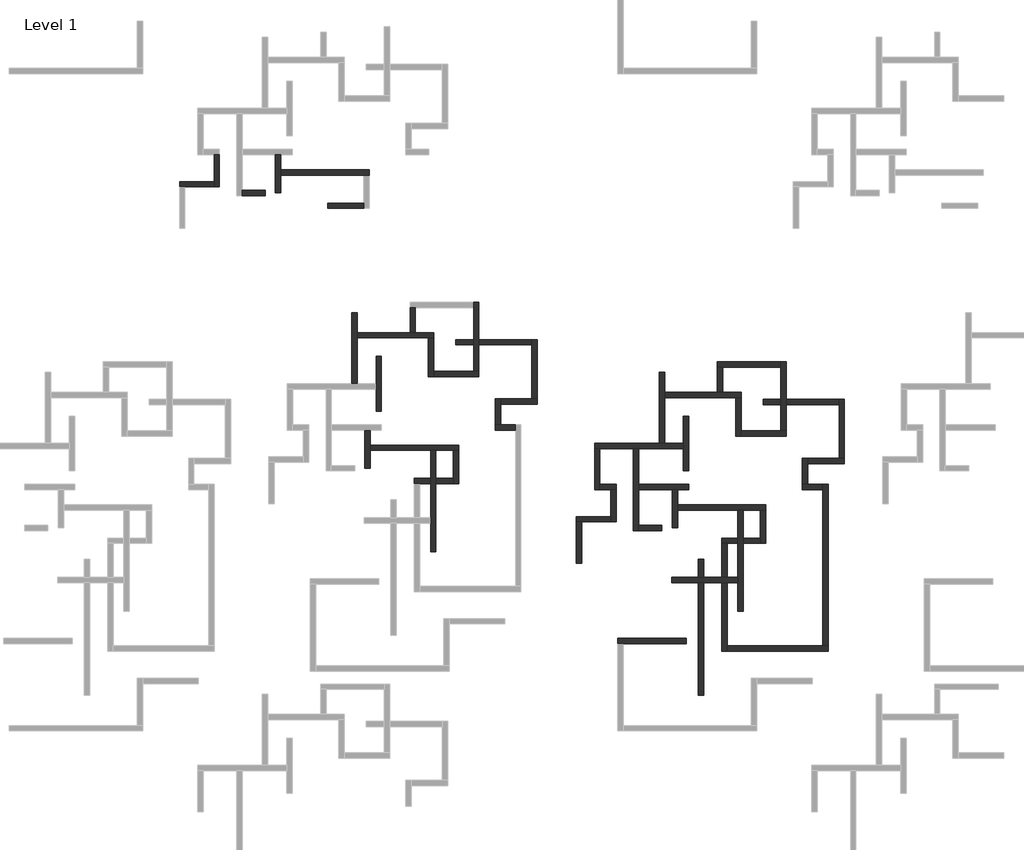
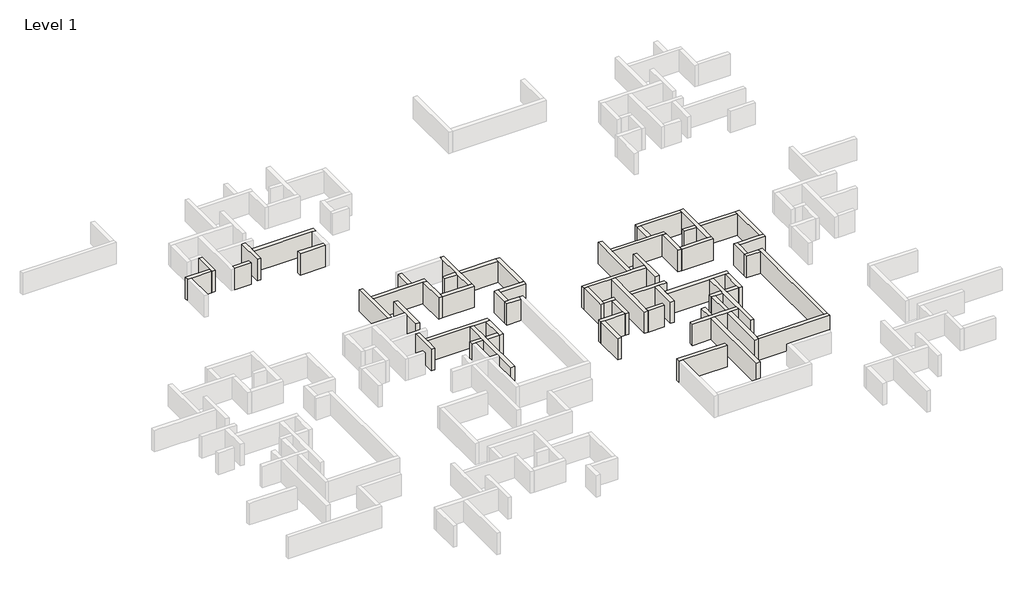
# One storey, part 3 of 7: 56 walls.
"""IFC4 building model written with IfcOpenShell, lengths in millimetres."""

from ifc_helpers import new_model, si_unit, origin, origin_with_axes, place, context, project, spatial, polyline, outline, extrude, faceted_brep, element, save

model = new_model("IFC4")

# Units and contexts
model_context = context("Model", 3, world=origin())
ifc_project = project(units=[si_unit("LENGTHUNIT", "METRE", prefix="MILLI")], contexts=[model_context])

# Site, building, storey
site = spatial("IfcSite", under=ifc_project)
building = spatial("IfcBuilding", under=site)
storey = spatial("IfcBuildingStorey", under=building, Name="Level 1", Elevation=0.0)

# Walls
placement = place(None, origin())
element("IfcWall", 1, ObjectType="Generic - 200mm", at=placement, inside=storey, context=model_context, shape_type="Brep", body=[
    faceted_brep([(7732.3849796, -15561.6327635, 0.0), (7732.3849796, -19111.6327635, 0.0), (7732.3849796, -19111.6327635, 3000.0), (7732.3849796, -15561.6327635, 3000.0), (8232.3849796, -15561.6327635, 0.0), (8232.3849796, -15561.6327635, 3000.0), (8232.3849796, -16961.6327635, 3000.0), (8232.3849796, -17461.6327635, 3000.0), (8232.3849796, -19111.6327635, 3000.0), (8232.3849796, -19111.6327635, 0.0), (8232.3849796, -17461.6327635, 0.0), (8232.3849796, -16961.6327635, 0.0)], [[[0, 1, 2, 3]], [[4, 5, 6, 7, 8, 9, 10, 11]], [[1, 0, 4, 11, 10, 9]], [[2, 1, 9, 8]], [[3, 2, 8, 7, 6, 5]], [[0, 3, 5, 4]]]),
])
element("IfcWall", 2, ObjectType="Generic - 200mm", at=placement, inside=storey, context=model_context, shape_type="Brep", body=[
    faceted_brep([(2032.3849796, -15561.6327635, 0.0), (2032.3849796, -18061.6327635, 0.0), (2032.3849796, -18561.6327635, 0.0), (2032.3849796, -18561.6327635, 3000.0), (2032.3849796, -18061.6327635, 3000.0), (2032.3849796, -15561.6327635, 3000.0), (2532.3849796, -15561.6327635, 0.0), (2532.3849796, -15561.6327635, 3000.0), (2532.3849796, -18561.6327635, 3000.0), (2532.3849796, -18561.6327635, 0.0)], [[[0, 1, 2, 3, 4, 5]], [[6, 7, 8, 9]], [[2, 1, 0, 6, 9]], [[5, 4, 3, 8, 7]], [[0, 5, 7, 6]], [[3, 2, 9, 8]]]),
])
element("IfcWall", 3, ObjectType="Generic - 200mm", at=placement, inside=storey, context=model_context, shape_type="Brep", body=[
    faceted_brep([(2032.3849796, -18061.6327635, 0.0), (-1167.6150204, -18061.6327635, 0.0), (-1167.6150204, -18061.6327635, 3000.0), (2032.3849796, -18061.6327635, 3000.0), (2032.3849796, -18561.6327635, 0.0), (2032.3849796, -18561.6327635, 3000.0), (-667.6150204, -18561.6327635, 3000.0), (-1167.6150204, -18561.6327635, 3000.0), (-1167.6150204, -18561.6327635, 0.0), (-667.6150204, -18561.6327635, 0.0)], [[[0, 1, 2, 3]], [[4, 5, 6, 7, 8, 9]], [[1, 0, 4, 9, 8]], [[3, 2, 7, 6, 5]], [[0, 3, 5, 4]], [[2, 1, 8, 7]]]),
])
element("IfcWall", 4, ObjectType="Generic - 200mm", at=placement, inside=storey, context=model_context, shape_type="SweptSolid", body=[
    extrude(outline(polyline([(6782.3849796, -19361.6327635), (4632.3849796, -19361.6327635), (4632.3849796, -18861.6327635), (6782.3849796, -18861.6327635), (6782.3849796, -19361.6327635)])), origin_with_axes(), (0.0, 0.0, 1.0), 3000.0),
])
element("IfcWall", 5, ObjectType="Generic - 200mm", at=placement, inside=storey, context=model_context, shape_type="Brep", body=[
    faceted_brep([(8232.3849796, -17461.6327635, 0.0), (15932.3849796, -17461.6327635, 0.0), (16432.3849796, -17461.6327635, 0.0), (16432.3849796, -17461.6327635, 3000.0), (15932.3849796, -17461.6327635, 3000.0), (8232.3849796, -17461.6327635, 3000.0), (8232.3849796, -16961.6327635, 0.0), (8232.3849796, -16961.6327635, 3000.0), (16432.3849796, -16961.6327635, 3000.0), (16432.3849796, -16961.6327635, 0.0)], [[[0, 1, 2, 3, 4, 5]], [[6, 7, 8, 9]], [[2, 1, 0, 6, 9]], [[5, 4, 3, 8, 7]], [[0, 5, 7, 6]], [[3, 2, 9, 8]]]),
])
element("IfcWall", 6, ObjectType="Generic - 200mm", at=placement, inside=storey, context=model_context, shape_type="SweptSolid", body=[
    extrude(outline(polyline([(12582.3849796, -20061.6327635), (15932.3849796, -20061.6327635), (15932.3849796, -20561.6327635), (12582.3849796, -20561.6327635), (12582.3849796, -20061.6327635)])), origin_with_axes(), (0.0, 0.0, 1.0), 3000.0),
])
element("IfcWall", 7, ObjectType="Generic - 200mm", at=placement, inside=storey, context=model_context, shape_type="Brep", body=[
    faceted_brep([(16032.3849796, -41129.0856497, 0.0), (16032.3849796, -44679.0856497, 0.0), (16032.3849796, -44679.0856497, 3000.0), (16032.3849796, -41129.0856497, 3000.0), (16532.3849796, -41129.0856497, 0.0), (16532.3849796, -41129.0856497, 3000.0), (16532.3849796, -42529.0856497, 3000.0), (16532.3849796, -43029.0856497, 3000.0), (16532.3849796, -44679.0856497, 3000.0), (16532.3849796, -44679.0856497, 0.0), (16532.3849796, -43029.0856497, 0.0), (16532.3849796, -42529.0856497, 0.0)], [[[0, 1, 2, 3]], [[4, 5, 6, 7, 8, 9, 10, 11]], [[1, 0, 4, 11, 10, 9]], [[2, 1, 9, 8]], [[3, 2, 8, 7, 6, 5]], [[0, 3, 5, 4]]]),
])
element("IfcWall", 8, ObjectType="Generic - 200mm", at=placement, inside=storey, context=model_context, shape_type="Brep", body=[
    faceted_brep([(16532.3849796, -43029.0856497, 0.0), (22132.3849796, -43029.0856497, 0.0), (22632.3849796, -43029.0856497, 0.0), (24232.3849796, -43029.0856497, 0.0), (24732.3849796, -43029.0856497, 0.0), (24732.3849796, -43029.0856497, 3000.0), (24232.3849796, -43029.0856497, 3000.0), (22632.3849796, -43029.0856497, 3000.0), (22132.3849796, -43029.0856497, 3000.0), (16532.3849796, -43029.0856497, 3000.0), (16532.3849796, -42529.0856497, 0.0), (16532.3849796, -42529.0856497, 3000.0), (24732.3849796, -42529.0856497, 3000.0), (24732.3849796, -42529.0856497, 0.0)], [[[0, 1, 2, 3, 4, 5, 6, 7, 8, 9]], [[10, 11, 12, 13]], [[4, 3, 2, 1, 0, 10, 13]], [[9, 8, 7, 6, 5, 12, 11]], [[0, 9, 11, 10]], [[5, 4, 13, 12]]]),
])
element("IfcWall", 9, ObjectType="Generic - 200mm", at=placement, inside=storey, context=model_context, shape_type="Brep", body=[
    faceted_brep([(22132.3849796, -43029.0856497, 0.0), (22132.3849796, -45629.0856497, 0.0), (22132.3849796, -46129.0856497, 0.0), (22132.3849796, -49279.0856497, 0.0), (22132.3849796, -49779.0856497, 0.0), (22132.3849796, -52429.0856497, 0.0), (22132.3849796, -52429.0856497, 3000.0), (22132.3849796, -49779.0856497, 3000.0), (22132.3849796, -49279.0856497, 3000.0), (22132.3849796, -46129.0856497, 3000.0), (22132.3849796, -45629.0856497, 3000.0), (22132.3849796, -43029.0856497, 3000.0), (22632.3849796, -43029.0856497, 0.0), (22632.3849796, -43029.0856497, 3000.0), (22632.3849796, -45629.0856497, 3000.0), (22632.3849796, -46129.0856497, 3000.0), (22632.3849796, -52429.0856497, 3000.0), (22632.3849796, -52429.0856497, 0.0), (22632.3849796, -46129.0856497, 0.0), (22632.3849796, -45629.0856497, 0.0)], [[[0, 1, 2, 3, 4, 5, 6, 7, 8, 9, 10, 11]], [[12, 13, 14, 15, 16, 17, 18, 19]], [[5, 4, 3, 2, 1, 0, 12, 19, 18, 17]], [[6, 5, 17, 16]], [[11, 10, 9, 8, 7, 6, 16, 15, 14, 13]], [[0, 11, 13, 12]]]),
])
element("IfcWall", 10, ObjectType="Generic - 200mm", at=placement, inside=storey, context=model_context, shape_type="Brep", body=[
    faceted_brep([(15332.3849796, -36829.0856497, 0.0), (15332.3849796, -32579.0856497, 0.0), (15332.3849796, -32079.0856497, 0.0), (15332.3849796, -30229.0856497, 0.0), (15332.3849796, -30229.0856497, 3000.0), (15332.3849796, -32079.0856497, 3000.0), (15332.3849796, -32579.0856497, 3000.0), (15332.3849796, -36829.0856497, 3000.0), (14832.3849796, -36829.0856497, 0.0), (14832.3849796, -36829.0856497, 3000.0), (14832.3849796, -30229.0856497, 3000.0), (14832.3849796, -30229.0856497, 0.0)], [[[0, 1, 2, 3, 4, 5, 6, 7]], [[8, 9, 10, 11]], [[3, 2, 1, 0, 8, 11]], [[4, 3, 11, 10]], [[7, 6, 5, 4, 10, 9]], [[0, 7, 9, 8]]]),
])
element("IfcWall", 11, ObjectType="Generic - 200mm", at=placement, inside=storey, context=model_context, shape_type="Brep", body=[
    faceted_brep([(15332.3849796, -32579.0856497, 0.0), (21932.3849796, -32579.0856497, 0.0), (22432.3849796, -32579.0856497, 0.0), (22432.3849796, -32579.0856497, 3000.0), (21932.3849796, -32579.0856497, 3000.0), (15332.3849796, -32579.0856497, 3000.0), (15332.3849796, -32079.0856497, 0.0), (15332.3849796, -32079.0856497, 3000.0), (20232.3849796, -32079.0856497, 3000.0), (20732.3849796, -32079.0856497, 3000.0), (22432.3849796, -32079.0856497, 3000.0), (22432.3849796, -32079.0856497, 0.0), (20732.3849796, -32079.0856497, 0.0), (20232.3849796, -32079.0856497, 0.0)], [[[0, 1, 2, 3, 4, 5]], [[6, 7, 8, 9, 10, 11, 12, 13]], [[2, 1, 0, 6, 13, 12, 11]], [[5, 4, 3, 10, 9, 8, 7]], [[0, 5, 7, 6]], [[3, 2, 11, 10]]]),
])
element("IfcWall", 12, ObjectType="Generic - 200mm", at=placement, inside=storey, context=model_context, shape_type="Brep", body=[
    faceted_brep([(17582.3849796, -39395.7882251, 0.0), (17582.3849796, -34295.7882251, 0.0), (17582.3849796, -34295.7882251, 3000.0), (17582.3849796, -39395.7882251, 3000.0), (17082.3849796, -39395.7882251, 0.0), (17082.3849796, -39395.7882251, 3000.0), (17082.3849796, -37329.0856497, 3000.0), (17082.3849796, -36829.0856497, 3000.0), (17082.3849796, -34295.7882251, 3000.0), (17082.3849796, -34295.7882251, 0.0), (17082.3849796, -36829.0856497, 0.0), (17082.3849796, -37329.0856497, 0.0)], [[[0, 1, 2, 3]], [[4, 5, 6, 7, 8, 9, 10, 11]], [[1, 0, 4, 11, 10, 9]], [[2, 1, 9, 8]], [[3, 2, 8, 7, 6, 5]], [[0, 3, 5, 4]]]),
])
element("IfcWall", 13, ObjectType="Generic - 200mm", at=placement, inside=storey, context=model_context, shape_type="Brep", body=[
    faceted_brep([(21932.3849796, -32579.0856497, 0.0), (21932.3849796, -36179.0856497, 0.0), (21932.3849796, -36179.0856497, 3000.0), (21932.3849796, -32579.0856497, 3000.0), (22432.3849796, -32579.0856497, 0.0), (22432.3849796, -32579.0856497, 3000.0), (22432.3849796, -35679.0856497, 3000.0), (22432.3849796, -36179.0856497, 3000.0), (22432.3849796, -36179.0856497, 0.0), (22432.3849796, -35679.0856497, 0.0)], [[[0, 1, 2, 3]], [[4, 5, 6, 7, 8, 9]], [[1, 0, 4, 9, 8]], [[3, 2, 7, 6, 5]], [[0, 3, 5, 4]], [[2, 1, 8, 7]]]),
])
element("IfcWall", 14, ObjectType="Generic - 200mm", at=placement, inside=storey, context=model_context, shape_type="Brep", body=[
    faceted_brep([(22432.3849796, -36179.0856497, 0.0), (26632.3849796, -36179.0856497, 0.0), (26632.3849796, -36179.0856497, 3000.0), (22432.3849796, -36179.0856497, 3000.0), (22432.3849796, -35679.0856497, 0.0), (22432.3849796, -35679.0856497, 3000.0), (26132.3849796, -35679.0856497, 3000.0), (26632.3849796, -35679.0856497, 3000.0), (26632.3849796, -35679.0856497, 0.0), (26132.3849796, -35679.0856497, 0.0)], [[[0, 1, 2, 3]], [[4, 5, 6, 7, 8, 9]], [[1, 0, 4, 9, 8]], [[3, 2, 7, 6, 5]], [[0, 3, 5, 4]], [[2, 1, 8, 7]]]),
])
element("IfcWall", 15, ObjectType="Generic - 200mm", at=placement, inside=storey, context=model_context, shape_type="Brep", body=[
    faceted_brep([(26632.3849796, -35679.0856497, 0.0), (26632.3849796, -33229.0856497, 0.0), (26632.3849796, -32729.0856497, 0.0), (26632.3849796, -29279.0856497, 0.0), (26632.3849796, -29279.0856497, 3000.0), (26632.3849796, -32729.0856497, 3000.0), (26632.3849796, -33229.0856497, 3000.0), (26632.3849796, -35679.0856497, 3000.0), (26132.3849796, -35679.0856497, 0.0), (26132.3849796, -35679.0856497, 3000.0), (26132.3849796, -33229.0856497, 3000.0), (26132.3849796, -32729.0856497, 3000.0), (26132.3849796, -29779.0856497, 3000.0), (26132.3849796, -29279.0856497, 3000.0), (26132.3849796, -29279.0856497, 0.0), (26132.3849796, -29779.0856497, 0.0), (26132.3849796, -32729.0856497, 0.0), (26132.3849796, -33229.0856497, 0.0)], [[[0, 1, 2, 3, 4, 5, 6, 7]], [[8, 9, 10, 11, 12, 13, 14, 15, 16, 17]], [[3, 2, 1, 0, 8, 17, 16, 15, 14]], [[7, 6, 5, 4, 13, 12, 11, 10, 9]], [[0, 7, 9, 8]], [[4, 3, 14, 13]]]),
])
element("IfcWall", 16, ObjectType="Generic - 200mm", at=placement, inside=storey, context=model_context, shape_type="SweptSolid", body=[
    extrude(outline(polyline([(20232.3849796, -32079.0856497), (20232.3849796, -29779.0856497), (20732.3849796, -29779.0856497), (20732.3849796, -32079.0856497), (20232.3849796, -32079.0856497)])), origin_with_axes(), (0.0, 0.0, 1.0), 3000.0),
])
element("IfcWall", 17, ObjectType="Generic - 200mm", at=placement, inside=storey, context=model_context, shape_type="Brep", body=[
    faceted_brep([(24232.3849796, -43029.0856497, 0.0), (24232.3849796, -45629.0856497, 0.0), (24232.3849796, -46129.0856497, 0.0), (24232.3849796, -46129.0856497, 3000.0), (24232.3849796, -45629.0856497, 3000.0), (24232.3849796, -43029.0856497, 3000.0), (24732.3849796, -43029.0856497, 0.0), (24732.3849796, -43029.0856497, 3000.0), (24732.3849796, -46129.0856497, 3000.0), (24732.3849796, -46129.0856497, 0.0)], [[[0, 1, 2, 3, 4, 5]], [[6, 7, 8, 9]], [[2, 1, 0, 6, 9]], [[5, 4, 3, 8, 7]], [[0, 5, 7, 6]], [[3, 2, 9, 8]]]),
])
element("IfcWall", 18, ObjectType="Generic - 200mm", at=placement, inside=storey, context=model_context, shape_type="Brep", body=[
    faceted_brep([(24232.3849796, -45629.0856497, 3000.0), (24232.3849796, -45629.0856497, 0.0), (22632.3849796, -45629.0856497, 0.0), (22632.3849796, -45629.0856497, 3000.0), (24232.3849796, -46129.0856497, 0.0), (24232.3849796, -46129.0856497, 3000.0), (22632.3849796, -46129.0856497, 3000.0), (22632.3849796, -46129.0856497, 0.0)], [[[0, 1, 2, 3]], [[4, 5, 6, 7]], [[1, 4, 7, 2]], [[5, 0, 3, 6]], [[1, 0, 5, 4]], [[3, 2, 7, 6]]]),
    faceted_brep([(20632.3849796, -45629.0856497, 0.0), (20632.3849796, -45629.0856497, 3000.0), (22132.3849796, -45629.0856497, 3000.0), (22132.3849796, -45629.0856497, 0.0), (20632.3849796, -46129.0856497, 3000.0), (20632.3849796, -46129.0856497, 0.0), (21132.3849796, -46129.0856497, 0.0), (22132.3849796, -46129.0856497, 0.0), (22132.3849796, -46129.0856497, 3000.0), (21132.3849796, -46129.0856497, 3000.0)], [[[0, 1, 2, 3]], [[4, 5, 6, 7, 8, 9]], [[5, 0, 3, 7, 6]], [[1, 4, 9, 8, 2]], [[3, 2, 8, 7]], [[1, 0, 5, 4]]]),
])
element("IfcWall", 19, ObjectType="Generic - 200mm", at=placement, inside=storey, context=model_context, shape_type="Brep", body=[
    faceted_brep([(30032.3849796, -40629.0856497, 0.0), (28632.3849796, -40629.0856497, 0.0), (28132.3849796, -40629.0856497, 0.0), (28132.3849796, -40629.0856497, 3000.0), (28632.3849796, -40629.0856497, 3000.0), (30032.3849796, -40629.0856497, 3000.0), (30032.3849796, -41129.0856497, 0.0), (30032.3849796, -41129.0856497, 3000.0), (28132.3849796, -41129.0856497, 3000.0), (28132.3849796, -41129.0856497, 0.0)], [[[0, 1, 2, 3, 4, 5]], [[6, 7, 8, 9]], [[2, 1, 0, 6, 9]], [[5, 4, 3, 8, 7]], [[0, 5, 7, 6]], [[3, 2, 9, 8]]]),
])
element("IfcWall", 20, ObjectType="Generic - 200mm", at=placement, inside=storey, context=model_context, shape_type="Brep", body=[
    faceted_brep([(28632.3849796, -40629.0856497, 0.0), (28632.3849796, -38729.0856497, 0.0), (28632.3849796, -38229.0856497, 0.0), (28632.3849796, -38229.0856497, 3000.0), (28632.3849796, -38729.0856497, 3000.0), (28632.3849796, -40629.0856497, 3000.0), (28132.3849796, -40629.0856497, 0.0), (28132.3849796, -40629.0856497, 3000.0), (28132.3849796, -38229.0856497, 3000.0), (28132.3849796, -38229.0856497, 0.0)], [[[0, 1, 2, 3, 4, 5]], [[6, 7, 8, 9]], [[2, 1, 0, 6, 9]], [[5, 4, 3, 8, 7]], [[0, 5, 7, 6]], [[3, 2, 9, 8]]]),
])
element("IfcWall", 21, ObjectType="Generic - 200mm", at=placement, inside=storey, context=model_context, shape_type="Brep", body=[
    faceted_brep([(28632.3849796, -38729.0856497, 0.0), (32032.3849796, -38729.0856497, 0.0), (32032.3849796, -38729.0856497, 3000.0), (28632.3849796, -38729.0856497, 3000.0), (28632.3849796, -38229.0856497, 0.0), (28632.3849796, -38229.0856497, 3000.0), (31532.3849796, -38229.0856497, 3000.0), (32032.3849796, -38229.0856497, 3000.0), (32032.3849796, -38229.0856497, 0.0), (31532.3849796, -38229.0856497, 0.0)], [[[0, 1, 2, 3]], [[4, 5, 6, 7, 8, 9]], [[1, 0, 4, 9, 8]], [[3, 2, 7, 6, 5]], [[0, 3, 5, 4]], [[2, 1, 8, 7]]]),
])
element("IfcWall", 22, ObjectType="Generic - 200mm", at=placement, inside=storey, context=model_context, shape_type="Brep", body=[
    faceted_brep([(32032.3849796, -38229.0856497, 0.0), (32032.3849796, -32729.0856497, 0.0), (32032.3849796, -32729.0856497, 3000.0), (32032.3849796, -38229.0856497, 3000.0), (31532.3849796, -38229.0856497, 0.0), (31532.3849796, -38229.0856497, 3000.0), (31532.3849796, -33229.0856497, 3000.0), (31532.3849796, -32729.0856497, 3000.0), (31532.3849796, -32729.0856497, 0.0), (31532.3849796, -33229.0856497, 0.0)], [[[0, 1, 2, 3]], [[4, 5, 6, 7, 8, 9]], [[1, 0, 4, 9, 8]], [[3, 2, 7, 6, 5]], [[0, 3, 5, 4]], [[2, 1, 8, 7]]]),
])
element("IfcWall", 23, ObjectType="Generic - 200mm", at=placement, inside=storey, context=model_context, shape_type="SweptSolid", body=[
    extrude(outline(polyline([(24482.3849796, -33229.0856497), (24482.3849796, -32729.0856497), (26132.3849796, -32729.0856497), (26132.3849796, -33229.0856497), (24482.3849796, -33229.0856497)])), origin_with_axes(), (0.0, 0.0, 1.0), 3000.0),
    extrude(outline(polyline([(31532.3849796, -32729.0856497), (31532.3849796, -33229.0856497), (26632.3849796, -33229.0856497), (26632.3849796, -32729.0856497), (31532.3849796, -32729.0856497)])), origin_with_axes(), (0.0, 0.0, 1.0), 3000.0),
])
element("IfcWall", 24, ObjectType="Generic - 200mm", at=placement, inside=storey, context=model_context, shape_type="Brep", body=[
    faceted_brep([(37365.1966596, -42862.5465156, 0.0), (37865.1966596, -42862.5465156, 0.0), (40965.1966596, -42862.5465156, 0.0), (41465.1966596, -42862.5465156, 0.0), (45615.1966596, -42862.5465156, 0.0), (45615.1966596, -42862.5465156, 3000.0), (41465.1966596, -42862.5465156, 3000.0), (40965.1966596, -42862.5465156, 3000.0), (37865.1966596, -42862.5465156, 3000.0), (37365.1966596, -42862.5465156, 3000.0), (37365.1966596, -42362.5465156, 0.0), (37365.1966596, -42362.5465156, 3000.0), (43365.1966596, -42362.5465156, 3000.0), (43865.1966596, -42362.5465156, 3000.0), (45615.1966596, -42362.5465156, 3000.0), (45615.1966596, -42362.5465156, 0.0), (43865.1966596, -42362.5465156, 0.0), (43365.1966596, -42362.5465156, 0.0)], [[[0, 1, 2, 3, 4, 5, 6, 7, 8, 9]], [[10, 11, 12, 13, 14, 15, 16, 17]], [[4, 3, 2, 1, 0, 10, 17, 16, 15]], [[9, 8, 7, 6, 5, 14, 13, 12, 11]], [[0, 9, 11, 10]], [[5, 4, 15, 14]]]),
])
element("IfcWall", 25, ObjectType="Generic - 200mm", at=placement, inside=storey, context=model_context, shape_type="Brep", body=[
    faceted_brep([(40965.1966596, -42862.5465156, 0.0), (40965.1966596, -50462.5465156, 0.0), (40965.1966596, -50462.5465156, 3000.0), (40965.1966596, -42862.5465156, 3000.0), (41465.1966596, -42862.5465156, 0.0), (41465.1966596, -42862.5465156, 3000.0), (41465.1966596, -46162.5465156, 3000.0), (41465.1966596, -46662.5465156, 3000.0), (41465.1966596, -49962.5465156, 3000.0), (41465.1966596, -50462.5465156, 3000.0), (41465.1966596, -50462.5465156, 0.0), (41465.1966596, -49962.5465156, 0.0), (41465.1966596, -46662.5465156, 0.0), (41465.1966596, -46162.5465156, 0.0)], [[[0, 1, 2, 3]], [[4, 5, 6, 7, 8, 9, 10, 11, 12, 13]], [[1, 0, 4, 13, 12, 11, 10]], [[3, 2, 9, 8, 7, 6, 5]], [[0, 3, 5, 4]], [[2, 1, 10, 9]]]),
])
element("IfcWall", 26, ObjectType="Generic - 200mm", at=placement, inside=storey, context=model_context, shape_type="Brep", body=[
    faceted_brep([(41465.1966596, -46662.5465156, 0.0), (44565.1966596, -46662.5465156, 0.0), (45065.1966596, -46662.5465156, 0.0), (46115.1966596, -46662.5465156, 0.0), (46115.1966596, -46662.5465156, 3000.0), (45065.1966596, -46662.5465156, 3000.0), (44565.1966596, -46662.5465156, 3000.0), (41465.1966596, -46662.5465156, 3000.0), (41465.1966596, -46162.5465156, 0.0), (41465.1966596, -46162.5465156, 3000.0), (46115.1966596, -46162.5465156, 3000.0), (46115.1966596, -46162.5465156, 0.0)], [[[0, 1, 2, 3, 4, 5, 6, 7]], [[8, 9, 10, 11]], [[3, 2, 1, 0, 8, 11]], [[4, 3, 11, 10]], [[7, 6, 5, 4, 10, 9]], [[0, 7, 9, 8]]]),
])
element("IfcWall", 27, ObjectType="Generic - 200mm", at=placement, inside=storey, context=model_context, shape_type="Brep", body=[
    faceted_brep([(44565.1966596, -46662.5465156, 0.0), (44565.1966596, -50212.5465156, 0.0), (44565.1966596, -50212.5465156, 3000.0), (44565.1966596, -46662.5465156, 3000.0), (45065.1966596, -46662.5465156, 0.0), (45065.1966596, -46662.5465156, 3000.0), (45065.1966596, -48062.5465156, 3000.0), (45065.1966596, -48562.5465156, 3000.0), (45065.1966596, -50212.5465156, 3000.0), (45065.1966596, -50212.5465156, 0.0), (45065.1966596, -48562.5465156, 0.0), (45065.1966596, -48062.5465156, 0.0)], [[[0, 1, 2, 3]], [[4, 5, 6, 7, 8, 9, 10, 11]], [[1, 0, 4, 11, 10, 9]], [[2, 1, 9, 8]], [[3, 2, 8, 7, 6, 5]], [[0, 3, 5, 4]]]),
])
element("IfcWall", 28, ObjectType="Generic - 200mm", at=placement, inside=storey, context=model_context, shape_type="Brep", body=[
    faceted_brep([(37365.1966596, -42862.5465156, 0.0), (37365.1966596, -46662.5465156, 0.0), (37365.1966596, -46662.5465156, 3000.0), (37365.1966596, -42862.5465156, 3000.0), (37865.1966596, -42862.5465156, 0.0), (37865.1966596, -42862.5465156, 3000.0), (37865.1966596, -46162.5465156, 3000.0), (37865.1966596, -46662.5465156, 3000.0), (37865.1966596, -46662.5465156, 0.0), (37865.1966596, -46162.5465156, 0.0)], [[[0, 1, 2, 3]], [[4, 5, 6, 7, 8, 9]], [[1, 0, 4, 9, 8]], [[3, 2, 7, 6, 5]], [[0, 3, 5, 4]], [[2, 1, 8, 7]]]),
])
element("IfcWall", 29, ObjectType="Generic - 200mm", at=placement, inside=storey, context=model_context, shape_type="Brep", body=[
    faceted_brep([(37865.1966596, -46662.5465156, 0.0), (38865.1966596, -46662.5465156, 0.0), (39365.1966596, -46662.5465156, 0.0), (39365.1966596, -46662.5465156, 3000.0), (38865.1966596, -46662.5465156, 3000.0), (37865.1966596, -46662.5465156, 3000.0), (37865.1966596, -46162.5465156, 0.0), (37865.1966596, -46162.5465156, 3000.0), (39365.1966596, -46162.5465156, 3000.0), (39365.1966596, -46162.5465156, 0.0)], [[[0, 1, 2, 3, 4, 5]], [[6, 7, 8, 9]], [[2, 1, 0, 6, 9]], [[5, 4, 3, 8, 7]], [[0, 5, 7, 6]], [[3, 2, 9, 8]]]),
])
element("IfcWall", 30, ObjectType="Generic - 200mm", at=placement, inside=storey, context=model_context, shape_type="Brep", body=[
    faceted_brep([(38865.1966596, -46662.5465156, 0.0), (38865.1966596, -49162.5465156, 0.0), (38865.1966596, -49662.5465156, 0.0), (38865.1966596, -49662.5465156, 3000.0), (38865.1966596, -49162.5465156, 3000.0), (38865.1966596, -46662.5465156, 3000.0), (39365.1966596, -46662.5465156, 0.0), (39365.1966596, -46662.5465156, 3000.0), (39365.1966596, -49662.5465156, 3000.0), (39365.1966596, -49662.5465156, 0.0)], [[[0, 1, 2, 3, 4, 5]], [[6, 7, 8, 9]], [[2, 1, 0, 6, 9]], [[5, 4, 3, 8, 7]], [[0, 5, 7, 6]], [[3, 2, 9, 8]]]),
])
element("IfcWall", 31, ObjectType="Generic - 200mm", at=placement, inside=storey, context=model_context, shape_type="Brep", body=[
    faceted_brep([(38865.1966596, -49162.5465156, 0.0), (35665.1966596, -49162.5465156, 0.0), (35665.1966596, -49162.5465156, 3000.0), (38865.1966596, -49162.5465156, 3000.0), (38865.1966596, -49662.5465156, 0.0), (38865.1966596, -49662.5465156, 3000.0), (36165.1966596, -49662.5465156, 3000.0), (35665.1966596, -49662.5465156, 3000.0), (35665.1966596, -49662.5465156, 0.0), (36165.1966596, -49662.5465156, 0.0)], [[[0, 1, 2, 3]], [[4, 5, 6, 7, 8, 9]], [[1, 0, 4, 9, 8]], [[3, 2, 7, 6, 5]], [[0, 3, 5, 4]], [[2, 1, 8, 7]]]),
])
element("IfcWall", 32, ObjectType="Generic - 200mm", at=placement, inside=storey, context=model_context, shape_type="SweptSolid", body=[
    extrude(outline(polyline([(35665.1966596, -53512.5465156), (35665.1966596, -49662.5465156), (36165.1966596, -49662.5465156), (36165.1966596, -53512.5465156), (35665.1966596, -53512.5465156)])), origin_with_axes(), (0.0, 0.0, 1.0), 3000.0),
])
element("IfcWall", 33, ObjectType="Generic - 200mm", at=placement, inside=storey, context=model_context, shape_type="SweptSolid", body=[
    extrude(outline(polyline([(43615.1966596, -50462.5465156), (41465.1966596, -50462.5465156), (41465.1966596, -49962.5465156), (43615.1966596, -49962.5465156), (43615.1966596, -50462.5465156)])), origin_with_axes(), (0.0, 0.0, 1.0), 3000.0),
])
element("IfcWall", 34, ObjectType="Generic - 200mm", at=placement, inside=storey, context=model_context, shape_type="Brep", body=[
    faceted_brep([(45065.1966596, -48562.5465156, 0.0), (50665.1966596, -48562.5465156, 0.0), (51165.1966596, -48562.5465156, 0.0), (52765.1966596, -48562.5465156, 0.0), (53265.1966596, -48562.5465156, 0.0), (53265.1966596, -48562.5465156, 3000.0), (52765.1966596, -48562.5465156, 3000.0), (51165.1966596, -48562.5465156, 3000.0), (50665.1966596, -48562.5465156, 3000.0), (45065.1966596, -48562.5465156, 3000.0), (45065.1966596, -48062.5465156, 0.0), (45065.1966596, -48062.5465156, 3000.0), (53265.1966596, -48062.5465156, 3000.0), (53265.1966596, -48062.5465156, 0.0)], [[[0, 1, 2, 3, 4, 5, 6, 7, 8, 9]], [[10, 11, 12, 13]], [[4, 3, 2, 1, 0, 10, 13]], [[9, 8, 7, 6, 5, 12, 11]], [[0, 9, 11, 10]], [[5, 4, 13, 12]]]),
])
element("IfcWall", 35, ObjectType="Generic - 200mm", at=placement, inside=storey, context=model_context, shape_type="Brep", body=[
    faceted_brep([(50665.1966596, -48562.5465156, 0.0), (50665.1966596, -51162.5465156, 0.0), (50665.1966596, -51662.5465156, 0.0), (50665.1966596, -54812.5465156, 0.0), (50665.1966596, -55312.5465156, 0.0), (50665.1966596, -57962.5465156, 0.0), (50665.1966596, -57962.5465156, 3000.0), (50665.1966596, -55312.5465156, 3000.0), (50665.1966596, -54812.5465156, 3000.0), (50665.1966596, -51662.5465156, 3000.0), (50665.1966596, -51162.5465156, 3000.0), (50665.1966596, -48562.5465156, 3000.0), (51165.1966596, -48562.5465156, 0.0), (51165.1966596, -48562.5465156, 3000.0), (51165.1966596, -51162.5465156, 3000.0), (51165.1966596, -51662.5465156, 3000.0), (51165.1966596, -57962.5465156, 3000.0), (51165.1966596, -57962.5465156, 0.0), (51165.1966596, -51662.5465156, 0.0), (51165.1966596, -51162.5465156, 0.0)], [[[0, 1, 2, 3, 4, 5, 6, 7, 8, 9, 10, 11]], [[12, 13, 14, 15, 16, 17, 18, 19]], [[5, 4, 3, 2, 1, 0, 12, 19, 18, 17]], [[6, 5, 17, 16]], [[11, 10, 9, 8, 7, 6, 16, 15, 14, 13]], [[0, 11, 13, 12]]]),
])
element("IfcWall", 36, ObjectType="Generic - 200mm", at=placement, inside=storey, context=model_context, shape_type="Brep", body=[
    faceted_brep([(50665.1966596, -54812.5465156, 0.0), (49665.1966596, -54812.5465156, 0.0), (49165.1966596, -54812.5465156, 0.0), (47484.7825487, -54812.5465156, 0.0), (46984.7825487, -54812.5465156, 0.0), (44515.1966596, -54812.5465156, 0.0), (44515.1966596, -54812.5465156, 3000.0), (46984.7825487, -54812.5465156, 3000.0), (47484.7825487, -54812.5465156, 3000.0), (49165.1966596, -54812.5465156, 3000.0), (49665.1966596, -54812.5465156, 3000.0), (50665.1966596, -54812.5465156, 3000.0), (50665.1966596, -55312.5465156, 0.0), (50665.1966596, -55312.5465156, 3000.0), (49665.1966596, -55312.5465156, 3000.0), (49165.1966596, -55312.5465156, 3000.0), (47484.7825487, -55312.5465156, 3000.0), (46984.7825487, -55312.5465156, 3000.0), (44515.1966596, -55312.5465156, 3000.0), (44515.1966596, -55312.5465156, 0.0), (46984.7825487, -55312.5465156, 0.0), (47484.7825487, -55312.5465156, 0.0), (49165.1966596, -55312.5465156, 0.0), (49665.1966596, -55312.5465156, 0.0)], [[[0, 1, 2, 3, 4, 5, 6, 7, 8, 9, 10, 11]], [[12, 13, 14, 15, 16, 17, 18, 19, 20, 21, 22, 23]], [[5, 4, 3, 2, 1, 0, 12, 23, 22, 21, 20, 19]], [[6, 5, 19, 18]], [[11, 10, 9, 8, 7, 6, 18, 17, 16, 15, 14, 13]], [[0, 11, 13, 12]]]),
])
element("IfcWall", 37, ObjectType="Generic - 200mm", at=placement, inside=storey, context=model_context, shape_type="Brep", body=[
    faceted_brep([(43865.1966596, -42362.5465156, 0.0), (43865.1966596, -38112.5465156, 0.0), (43865.1966596, -37612.5465156, 0.0), (43865.1966596, -35762.5465156, 0.0), (43865.1966596, -35762.5465156, 3000.0), (43865.1966596, -37612.5465156, 3000.0), (43865.1966596, -38112.5465156, 3000.0), (43865.1966596, -42362.5465156, 3000.0), (43365.1966596, -42362.5465156, 0.0), (43365.1966596, -42362.5465156, 3000.0), (43365.1966596, -35762.5465156, 3000.0), (43365.1966596, -35762.5465156, 0.0)], [[[0, 1, 2, 3, 4, 5, 6, 7]], [[8, 9, 10, 11]], [[3, 2, 1, 0, 8, 11]], [[4, 3, 11, 10]], [[7, 6, 5, 4, 10, 9]], [[0, 7, 9, 8]]]),
])
element("IfcWall", 38, ObjectType="Generic - 200mm", at=placement, inside=storey, context=model_context, shape_type="Brep", body=[
    faceted_brep([(43865.1966596, -38112.5465156, 0.0), (50465.1966596, -38112.5465156, 0.0), (50965.1966596, -38112.5465156, 0.0), (50965.1966596, -38112.5465156, 3000.0), (50465.1966596, -38112.5465156, 3000.0), (43865.1966596, -38112.5465156, 3000.0), (43865.1966596, -37612.5465156, 0.0), (43865.1966596, -37612.5465156, 3000.0), (48765.1966596, -37612.5465156, 3000.0), (49265.1966596, -37612.5465156, 3000.0), (50965.1966596, -37612.5465156, 3000.0), (50965.1966596, -37612.5465156, 0.0), (49265.1966596, -37612.5465156, 0.0), (48765.1966596, -37612.5465156, 0.0)], [[[0, 1, 2, 3, 4, 5]], [[6, 7, 8, 9, 10, 11, 12, 13]], [[2, 1, 0, 6, 13, 12, 11]], [[5, 4, 3, 10, 9, 8, 7]], [[0, 5, 7, 6]], [[3, 2, 11, 10]]]),
])
element("IfcWall", 39, ObjectType="Generic - 200mm", at=placement, inside=storey, context=model_context, shape_type="Brep", body=[
    faceted_brep([(46115.1966596, -44929.2490911, 0.0), (46115.1966596, -39829.2490911, 0.0), (46115.1966596, -39829.2490911, 3000.0), (46115.1966596, -44929.2490911, 3000.0), (45615.1966596, -44929.2490911, 0.0), (45615.1966596, -44929.2490911, 3000.0), (45615.1966596, -42862.5465156, 3000.0), (45615.1966596, -42362.5465156, 3000.0), (45615.1966596, -39829.2490911, 3000.0), (45615.1966596, -39829.2490911, 0.0), (45615.1966596, -42362.5465156, 0.0), (45615.1966596, -42862.5465156, 0.0)], [[[0, 1, 2, 3]], [[4, 5, 6, 7, 8, 9, 10, 11]], [[1, 0, 4, 11, 10, 9]], [[2, 1, 9, 8]], [[3, 2, 8, 7, 6, 5]], [[0, 3, 5, 4]]]),
])
element("IfcWall", 40, ObjectType="Generic - 200mm", at=placement, inside=storey, context=model_context, shape_type="SweptSolid", body=[
    extrude(outline(polyline([(47484.7825487, -65735.4605601), (46984.7825487, -65735.4605601), (46984.7825487, -55312.5465156), (47484.7825487, -55312.5465156), (47484.7825487, -65735.4605601)])), origin_with_axes(), (0.0, 0.0, 1.0), 3000.0),
    extrude(outline(polyline([(46984.7825487, -53135.4605601), (47484.7825487, -53135.4605601), (47484.7825487, -54812.5465156), (46984.7825487, -54812.5465156), (46984.7825487, -53135.4605601)])), origin_with_axes(), (0.0, 0.0, 1.0), 3000.0),
])
element("IfcWall", 41, ObjectType="Generic - 200mm", at=placement, inside=storey, context=model_context, shape_type="Brep", body=[
    faceted_brep([(50465.1966596, -38112.5465156, 0.0), (50465.1966596, -41712.5465156, 0.0), (50465.1966596, -41712.5465156, 3000.0), (50465.1966596, -38112.5465156, 3000.0), (50965.1966596, -38112.5465156, 0.0), (50965.1966596, -38112.5465156, 3000.0), (50965.1966596, -41212.5465156, 3000.0), (50965.1966596, -41712.5465156, 3000.0), (50965.1966596, -41712.5465156, 0.0), (50965.1966596, -41212.5465156, 0.0)], [[[0, 1, 2, 3]], [[4, 5, 6, 7, 8, 9]], [[1, 0, 4, 9, 8]], [[3, 2, 7, 6, 5]], [[0, 3, 5, 4]], [[2, 1, 8, 7]]]),
])
element("IfcWall", 42, ObjectType="Generic - 200mm", at=placement, inside=storey, context=model_context, shape_type="Brep", body=[
    faceted_brep([(50965.1966596, -41712.5465156, 0.0), (55165.1966596, -41712.5465156, 0.0), (55165.1966596, -41712.5465156, 3000.0), (50965.1966596, -41712.5465156, 3000.0), (50965.1966596, -41212.5465156, 0.0), (50965.1966596, -41212.5465156, 3000.0), (54665.1966596, -41212.5465156, 3000.0), (55165.1966596, -41212.5465156, 3000.0), (55165.1966596, -41212.5465156, 0.0), (54665.1966596, -41212.5465156, 0.0)], [[[0, 1, 2, 3]], [[4, 5, 6, 7, 8, 9]], [[1, 0, 4, 9, 8]], [[3, 2, 7, 6, 5]], [[0, 3, 5, 4]], [[2, 1, 8, 7]]]),
])
element("IfcWall", 43, ObjectType="Generic - 200mm", at=placement, inside=storey, context=model_context, shape_type="Brep", body=[
    faceted_brep([(55165.1966596, -41212.5465156, 0.0), (55165.1966596, -38762.5465156, 0.0), (55165.1966596, -38262.5465156, 0.0), (55165.1966596, -34812.5465156, 0.0), (55165.1966596, -34812.5465156, 3000.0), (55165.1966596, -38262.5465156, 3000.0), (55165.1966596, -38762.5465156, 3000.0), (55165.1966596, -41212.5465156, 3000.0), (54665.1966596, -41212.5465156, 0.0), (54665.1966596, -41212.5465156, 3000.0), (54665.1966596, -38762.5465156, 3000.0), (54665.1966596, -38262.5465156, 3000.0), (54665.1966596, -35312.5465156, 3000.0), (54665.1966596, -34812.5465156, 3000.0), (54665.1966596, -34812.5465156, 0.0), (54665.1966596, -35312.5465156, 0.0), (54665.1966596, -38262.5465156, 0.0), (54665.1966596, -38762.5465156, 0.0)], [[[0, 1, 2, 3, 4, 5, 6, 7]], [[8, 9, 10, 11, 12, 13, 14, 15, 16, 17]], [[3, 2, 1, 0, 8, 17, 16, 15, 14]], [[7, 6, 5, 4, 13, 12, 11, 10, 9]], [[0, 7, 9, 8]], [[4, 3, 14, 13]]]),
])
element("IfcWall", 44, ObjectType="Generic - 200mm", at=placement, inside=storey, context=model_context, shape_type="Brep", body=[
    faceted_brep([(54665.1966596, -34812.5465156, 0.0), (48765.1966596, -34812.5465156, 0.0), (48765.1966596, -34812.5465156, 3000.0), (54665.1966596, -34812.5465156, 3000.0), (54665.1966596, -35312.5465156, 0.0), (54665.1966596, -35312.5465156, 3000.0), (49265.1966596, -35312.5465156, 3000.0), (48765.1966596, -35312.5465156, 3000.0), (48765.1966596, -35312.5465156, 0.0), (49265.1966596, -35312.5465156, 0.0)], [[[0, 1, 2, 3]], [[4, 5, 6, 7, 8, 9]], [[1, 0, 4, 9, 8]], [[3, 2, 7, 6, 5]], [[0, 3, 5, 4]], [[2, 1, 8, 7]]]),
])
element("IfcWall", 45, ObjectType="Generic - 200mm", at=placement, inside=storey, context=model_context, shape_type="SweptSolid", body=[
    extrude(outline(polyline([(48765.1966596, -37612.5465156), (48765.1966596, -35312.5465156), (49265.1966596, -35312.5465156), (49265.1966596, -37612.5465156), (48765.1966596, -37612.5465156)])), origin_with_axes(), (0.0, 0.0, 1.0), 3000.0),
])
element("IfcWall", 46, ObjectType="Generic - 200mm", at=placement, inside=storey, context=model_context, shape_type="Brep", body=[
    faceted_brep([(52765.1966596, -48562.5465156, 0.0), (52765.1966596, -51162.5465156, 0.0), (52765.1966596, -51662.5465156, 0.0), (52765.1966596, -51662.5465156, 3000.0), (52765.1966596, -51162.5465156, 3000.0), (52765.1966596, -48562.5465156, 3000.0), (53265.1966596, -48562.5465156, 0.0), (53265.1966596, -48562.5465156, 3000.0), (53265.1966596, -51662.5465156, 3000.0), (53265.1966596, -51662.5465156, 0.0)], [[[0, 1, 2, 3, 4, 5]], [[6, 7, 8, 9]], [[2, 1, 0, 6, 9]], [[5, 4, 3, 8, 7]], [[0, 5, 7, 6]], [[3, 2, 9, 8]]]),
])
element("IfcWall", 47, ObjectType="Generic - 200mm", at=placement, inside=storey, context=model_context, shape_type="Brep", body=[
    faceted_brep([(52765.1966596, -51162.5465156, 3000.0), (52765.1966596, -51162.5465156, 0.0), (51165.1966596, -51162.5465156, 0.0), (51165.1966596, -51162.5465156, 3000.0), (52765.1966596, -51662.5465156, 0.0), (52765.1966596, -51662.5465156, 3000.0), (51165.1966596, -51662.5465156, 3000.0), (51165.1966596, -51662.5465156, 0.0)], [[[0, 1, 2, 3]], [[4, 5, 6, 7]], [[1, 4, 7, 2]], [[5, 0, 3, 6]], [[1, 0, 5, 4]], [[3, 2, 7, 6]]]),
    faceted_brep([(49165.1966596, -51162.5465156, 0.0), (49165.1966596, -51162.5465156, 3000.0), (50665.1966596, -51162.5465156, 3000.0), (50665.1966596, -51162.5465156, 0.0), (49165.1966596, -51662.5465156, 3000.0), (49165.1966596, -51662.5465156, 0.0), (49665.1966596, -51662.5465156, 0.0), (50665.1966596, -51662.5465156, 0.0), (50665.1966596, -51662.5465156, 3000.0), (49665.1966596, -51662.5465156, 3000.0)], [[[0, 1, 2, 3]], [[4, 5, 6, 7, 8, 9]], [[5, 0, 3, 7, 6]], [[1, 4, 9, 8, 2]], [[3, 2, 8, 7]], [[1, 0, 5, 4]]]),
])
element("IfcWall", 48, ObjectType="Generic - 200mm", at=placement, inside=storey, context=model_context, shape_type="Brep", body=[
    faceted_brep([(49165.1966596, -51662.5465156, 3000.0), (49165.1966596, -51662.5465156, 0.0), (49165.1966596, -54812.5465156, 0.0), (49165.1966596, -54812.5465156, 3000.0), (49665.1966596, -51662.5465156, 0.0), (49665.1966596, -51662.5465156, 3000.0), (49665.1966596, -54812.5465156, 3000.0), (49665.1966596, -54812.5465156, 0.0)], [[[0, 1, 2, 3]], [[4, 5, 6, 7]], [[1, 4, 7, 2]], [[5, 0, 3, 6]], [[1, 0, 5, 4]], [[3, 2, 7, 6]]]),
    faceted_brep([(49165.1966596, -61662.5465156, 0.0), (49165.1966596, -61662.5465156, 3000.0), (49165.1966596, -55312.5465156, 3000.0), (49165.1966596, -55312.5465156, 0.0), (49665.1966596, -61662.5465156, 3000.0), (49665.1966596, -61662.5465156, 0.0), (49665.1966596, -61162.5465156, 0.0), (49665.1966596, -55312.5465156, 0.0), (49665.1966596, -55312.5465156, 3000.0), (49665.1966596, -61162.5465156, 3000.0)], [[[0, 1, 2, 3]], [[4, 5, 6, 7, 8, 9]], [[5, 0, 3, 7, 6]], [[1, 4, 9, 8, 2]], [[3, 2, 8, 7]], [[1, 0, 5, 4]]]),
])
element("IfcWall", 49, ObjectType="Generic - 200mm", at=placement, inside=storey, context=model_context, shape_type="Brep", body=[
    faceted_brep([(49665.1966596, -61662.5465156, 0.0), (59065.1966596, -61662.5465156, 0.0), (59065.1966596, -61662.5465156, 3000.0), (49665.1966596, -61662.5465156, 3000.0), (49665.1966596, -61162.5465156, 0.0), (49665.1966596, -61162.5465156, 3000.0), (58565.1966596, -61162.5465156, 3000.0), (59065.1966596, -61162.5465156, 3000.0), (59065.1966596, -61162.5465156, 0.0), (58565.1966596, -61162.5465156, 0.0)], [[[0, 1, 2, 3]], [[4, 5, 6, 7, 8, 9]], [[1, 0, 4, 9, 8]], [[3, 2, 7, 6, 5]], [[0, 3, 5, 4]], [[2, 1, 8, 7]]]),
])
element("IfcWall", 50, ObjectType="Generic - 200mm", at=placement, inside=storey, context=model_context, shape_type="Brep", body=[
    faceted_brep([(59065.1966596, -61162.5465156, 0.0), (59065.1966596, -46162.5465156, 0.0), (59065.1966596, -46162.5465156, 3000.0), (59065.1966596, -61162.5465156, 3000.0), (58565.1966596, -61162.5465156, 0.0), (58565.1966596, -61162.5465156, 3000.0), (58565.1966596, -46662.5465156, 3000.0), (58565.1966596, -46162.5465156, 3000.0), (58565.1966596, -46162.5465156, 0.0), (58565.1966596, -46662.5465156, 0.0)], [[[0, 1, 2, 3]], [[4, 5, 6, 7, 8, 9]], [[1, 0, 4, 9, 8]], [[3, 2, 7, 6, 5]], [[0, 3, 5, 4]], [[2, 1, 8, 7]]]),
])
element("IfcWall", 51, ObjectType="Generic - 200mm", at=placement, inside=storey, context=model_context, shape_type="Brep", body=[
    faceted_brep([(58565.1966596, -46162.5465156, 0.0), (57165.1966596, -46162.5465156, 0.0), (56665.1966596, -46162.5465156, 0.0), (56665.1966596, -46162.5465156, 3000.0), (57165.1966596, -46162.5465156, 3000.0), (58565.1966596, -46162.5465156, 3000.0), (58565.1966596, -46662.5465156, 0.0), (58565.1966596, -46662.5465156, 3000.0), (56665.1966596, -46662.5465156, 3000.0), (56665.1966596, -46662.5465156, 0.0)], [[[0, 1, 2, 3, 4, 5]], [[6, 7, 8, 9]], [[2, 1, 0, 6, 9]], [[5, 4, 3, 8, 7]], [[0, 5, 7, 6]], [[3, 2, 9, 8]]]),
])
element("IfcWall", 52, ObjectType="Generic - 200mm", at=placement, inside=storey, context=model_context, shape_type="Brep", body=[
    faceted_brep([(57165.1966596, -46162.5465156, 0.0), (57165.1966596, -44262.5465156, 0.0), (57165.1966596, -43762.5465156, 0.0), (57165.1966596, -43762.5465156, 3000.0), (57165.1966596, -44262.5465156, 3000.0), (57165.1966596, -46162.5465156, 3000.0), (56665.1966596, -46162.5465156, 0.0), (56665.1966596, -46162.5465156, 3000.0), (56665.1966596, -43762.5465156, 3000.0), (56665.1966596, -43762.5465156, 0.0)], [[[0, 1, 2, 3, 4, 5]], [[6, 7, 8, 9]], [[2, 1, 0, 6, 9]], [[5, 4, 3, 8, 7]], [[0, 5, 7, 6]], [[3, 2, 9, 8]]]),
])
element("IfcWall", 53, ObjectType="Generic - 200mm", at=placement, inside=storey, context=model_context, shape_type="Brep", body=[
    faceted_brep([(57165.1966596, -44262.5465156, 0.0), (60565.1966596, -44262.5465156, 0.0), (60565.1966596, -44262.5465156, 3000.0), (57165.1966596, -44262.5465156, 3000.0), (57165.1966596, -43762.5465156, 0.0), (57165.1966596, -43762.5465156, 3000.0), (60065.1966596, -43762.5465156, 3000.0), (60565.1966596, -43762.5465156, 3000.0), (60565.1966596, -43762.5465156, 0.0), (60065.1966596, -43762.5465156, 0.0)], [[[0, 1, 2, 3]], [[4, 5, 6, 7, 8, 9]], [[1, 0, 4, 9, 8]], [[3, 2, 7, 6, 5]], [[0, 3, 5, 4]], [[2, 1, 8, 7]]]),
])
element("IfcWall", 54, ObjectType="Generic - 200mm", at=placement, inside=storey, context=model_context, shape_type="Brep", body=[
    faceted_brep([(60565.1966596, -43762.5465156, 0.0), (60565.1966596, -38262.5465156, 0.0), (60565.1966596, -38262.5465156, 3000.0), (60565.1966596, -43762.5465156, 3000.0), (60065.1966596, -43762.5465156, 0.0), (60065.1966596, -43762.5465156, 3000.0), (60065.1966596, -38762.5465156, 3000.0), (60065.1966596, -38262.5465156, 3000.0), (60065.1966596, -38262.5465156, 0.0), (60065.1966596, -38762.5465156, 0.0)], [[[0, 1, 2, 3]], [[4, 5, 6, 7, 8, 9]], [[1, 0, 4, 9, 8]], [[3, 2, 7, 6, 5]], [[0, 3, 5, 4]], [[2, 1, 8, 7]]]),
])
element("IfcWall", 55, ObjectType="Generic - 200mm", at=placement, inside=storey, context=model_context, shape_type="SweptSolid", body=[
    extrude(outline(polyline([(53015.1966596, -38762.5465156), (53015.1966596, -38262.5465156), (54665.1966596, -38262.5465156), (54665.1966596, -38762.5465156), (53015.1966596, -38762.5465156)])), origin_with_axes(), (0.0, 0.0, 1.0), 3000.0),
    extrude(outline(polyline([(60065.1966596, -38262.5465156), (60065.1966596, -38762.5465156), (55165.1966596, -38762.5465156), (55165.1966596, -38262.5465156), (60065.1966596, -38262.5465156)])), origin_with_axes(), (0.0, 0.0, 1.0), 3000.0),
])
element("IfcWall", 56, ObjectType="Generic - 200mm", at=placement, inside=storey, context=model_context, shape_type="Brep", body=[
    faceted_brep([(45865.1966596, -60462.5465156, 0.0), (39515.1966596, -60462.5465156, 0.0), (39515.1966596, -60462.5465156, 3000.0), (45865.1966596, -60462.5465156, 3000.0), (45865.1966596, -60962.5465156, 0.0), (45865.1966596, -60962.5465156, 3000.0), (40015.1966596, -60962.5465156, 3000.0), (39515.1966596, -60962.5465156, 3000.0), (39515.1966596, -60962.5465156, 0.0), (40015.1966596, -60962.5465156, 0.0)], [[[0, 1, 2, 3]], [[4, 5, 6, 7, 8, 9]], [[1, 0, 4, 9, 8]], [[3, 2, 7, 6, 5]], [[0, 3, 5, 4]], [[2, 1, 8, 7]]]),
])

save(model, "model.ifc")
